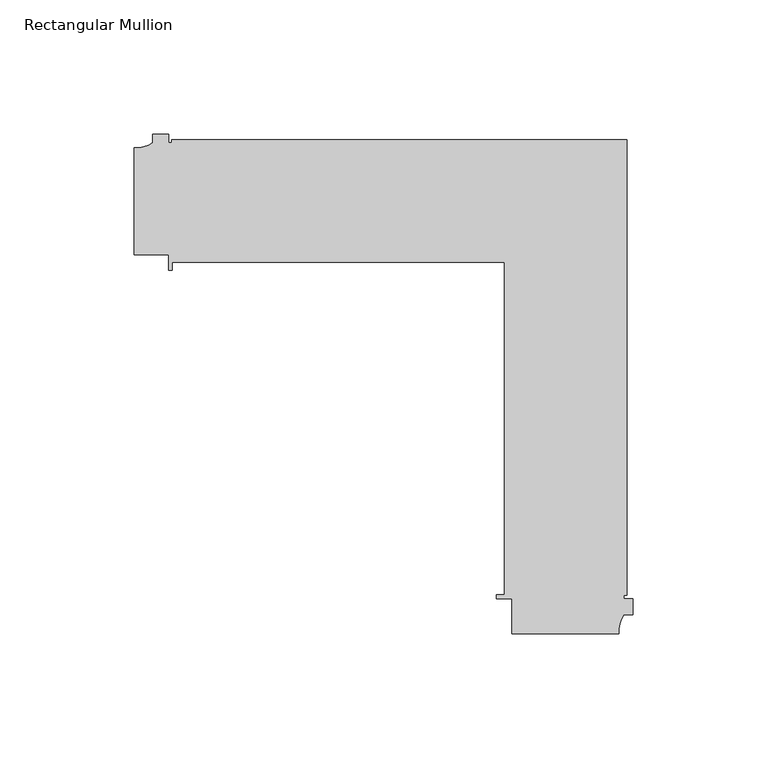
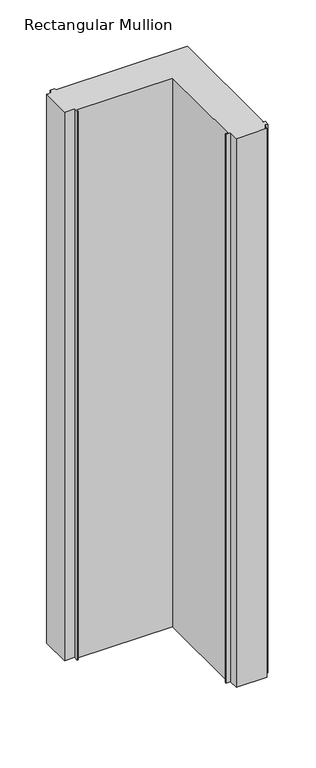
"""IFC4 building model written with IfcOpenShell, lengths in millimetres: member geometry, Rectangular Mullion."""

import ifcopenshell
import ifcopenshell.guid

model = None  # the IFC model being written
_history = None  # IfcOwnerHistory: only IFC2X3 demands one
_inside = {}  # id of a spatial element -> (the spatial element, [elements in it])
_under = {}  # id of a project, library or spatial element -> (it, [spatial elements below it])
_declared = {}  # id of a project -> (the project, [libraries it declares])
_typed = {}  # id of a type object -> (the type object, [elements of that type])
_made_of = {}  # id of a material, layer set ... -> (it, [elements and type objects made of it])


def new_model(schema):
    """Start an empty IFC model of exactly this schema.

    Asked for "IFC4X3", IfcOpenShell would pick the latest addendum, in which some entities
    have other attributes; the version numbers below select the first issue.
    IFC2X3 requires an IfcOwnerHistory on every rooted entity: one is made here for all.
    """
    global model, _history
    if schema == "IFC4X3":
        model = ifcopenshell.file(schema_version=(4, 3, 0, 0))
    else:
        model = ifcopenshell.file(schema=schema)
    _inside.clear()
    _under.clear()
    _declared.clear()
    _typed.clear()
    _made_of.clear()
    _history = None
    if model.schema == "IFC2X3":
        org = make("IfcOrganization", Name="unknown")
        user = make(
            "IfcPersonAndOrganization",
            ThePerson=make("IfcPerson", FamilyName="unknown"),
            TheOrganization=org,
        )
        app = make(
            "IfcApplication",
            ApplicationDeveloper=org,
            Version="unknown",
            ApplicationFullName="unknown",
            ApplicationIdentifier="unknown",
        )
        _history = make(
            "IfcOwnerHistory",
            OwningUser=user,
            OwningApplication=app,
            ChangeAction="ADDED",
            CreationDate=0,
        )
    return model


def make(cls, **values):
    """One entity of the class cls with the attributes given. An attribute that is None is left unset."""
    return model.create_entity(
        cls, **{name: value for name, value in values.items() if value is not None}
    )


def rooted(cls, **values):
    """An entity with a GlobalId (a new one), such as an element, a storey or a relation."""
    return make(cls, GlobalId=ifcopenshell.guid.new(), OwnerHistory=_history, **values)


def si_unit(unit_type, name, prefix=None):
    """IfcSIUnit, for example si_unit("LENGTHUNIT", "METRE", prefix="MILLI")."""
    return make("IfcSIUnit", UnitType=unit_type, Prefix=prefix, Name=name)


def assignment(units):
    """IfcUnitAssignment: the units of a project."""
    return None if units is None else make("IfcUnitAssignment", Units=units)


def point(xyz):
    """IfcCartesianPoint."""
    return None if xyz is None else make("IfcCartesianPoint", Coordinates=xyz)


def direction(xyz):
    """IfcDirection."""
    return None if xyz is None else make("IfcDirection", DirectionRatios=xyz)


def frame(location, z_axis=None, x_axis=None):
    """IfcAxis2Placement3D, a coordinate frame: its origin and axes. An axis left out is left unset."""
    return make(
        "IfcAxis2Placement3D",
        Location=point(location),
        Axis=direction(z_axis),
        RefDirection=direction(x_axis),
    )


def frame_2d(location, x_axis=None):
    """IfcAxis2Placement2D, a coordinate frame in the plane: its origin and x axis."""
    return make(
        "IfcAxis2Placement2D", Location=point(location), RefDirection=direction(x_axis)
    )


def origin():
    """The frame at (0, 0, 0) with its axes left unset."""
    return frame((0.0, 0.0, 0.0))


def place(relative_to, where):
    """IfcLocalPlacement: puts the frame where relative to a parent placement (None: the world)."""
    return make(
        "IfcLocalPlacement", PlacementRelTo=relative_to, RelativePlacement=where
    )


def context(
    kind, dimensions, precision=None, world=None, true_north=None, identifier=None
):
    """IfcGeometricRepresentationContext, for example the 3D "Model" context."""
    return make(
        "IfcGeometricRepresentationContext",
        ContextIdentifier=identifier,
        ContextType=kind,
        CoordinateSpaceDimension=dimensions,
        Precision=precision,
        WorldCoordinateSystem=world,
        TrueNorth=true_north,
    )


def project(units=None, contexts=None):
    """IfcProject with its units and contexts."""
    return rooted(
        "IfcProject",
        Name="project",
        RepresentationContexts=contexts,
        UnitsInContext=assignment(units),
    )


def spatial(cls, under=None, at=None, **own):
    """A site, building, storey or space (cls), placed at a placement, below another one or the project."""
    s = rooted(cls, ObjectPlacement=at, **own)
    if under is not None:
        _under.setdefault(under.id(), (under, []))[1].append(s)
    return s


def polyline(points):
    """IfcPolyline through the points."""
    return make("IfcPolyline", Points=[point(p) for p in points])


def circle_curve(where, radius):
    """IfcCircle in the frame where."""
    return make("IfcCircle", Position=where, Radius=radius)


def trimmed(basis, trim1, trim2, sense, master):
    """IfcTrimmedCurve: the piece of a basis curve between two trims."""
    return make(
        "IfcTrimmedCurve",
        BasisCurve=basis,
        Trim1=trim1,
        Trim2=trim2,
        SenseAgreement=sense,
        MasterRepresentation=master,
    )


def segment(curve, same_sense, transition):
    """IfcCompositeCurveSegment."""
    return make(
        "IfcCompositeCurveSegment",
        Transition=transition,
        SameSense=same_sense,
        ParentCurve=curve,
    )


def composite_curve(segments, self_intersect=None):
    """IfcCompositeCurve: segments joined end to end."""
    return make("IfcCompositeCurve", Segments=segments, SelfIntersect=self_intersect)


def outline(outer, holes=None, kind="AREA"):
    """IfcArbitraryClosedProfileDef: a profile drawn as a closed curve; with holes, ...WithVoids."""
    if holes is None:
        return make("IfcArbitraryClosedProfileDef", ProfileType=kind, OuterCurve=outer)
    return make(
        "IfcArbitraryProfileDefWithVoids",
        ProfileType=kind,
        OuterCurve=outer,
        InnerCurves=holes,
    )


def extrude(swept, where, along, depth):
    """IfcExtrudedAreaSolid: the profile swept, set in the frame where, extruded along a direction by depth."""
    return make(
        "IfcExtrudedAreaSolid",
        SweptArea=swept,
        Position=where,
        ExtrudedDirection=direction(along),
        Depth=depth,
    )


def shape(context_of_items, identifier, shape_type, items):
    """IfcShapeRepresentation: the items that make up one representation, for example the "Body"."""
    return make(
        "IfcShapeRepresentation",
        ContextOfItems=context_of_items,
        RepresentationIdentifier=identifier,
        RepresentationType=shape_type,
        Items=items,
    )


def source(mapping_origin, context_of_items, identifier, shape_type, items):
    """IfcRepresentationMap: a shape defined once, which mapped items show again and again."""
    return make(
        "IfcRepresentationMap",
        MappingOrigin=mapping_origin,
        MappedRepresentation=shape(context_of_items, identifier, shape_type, items),
    )


def transform(
    local_origin,
    x_axis=None,
    y_axis=None,
    z_axis=None,
    scale=None,
    scale2=None,
    scale3=None,
    uniform=True,
):
    """IfcCartesianTransformationOperator3D, or its non-uniform kind. x_axis, y_axis, z_axis: its Axis1, 2, 3."""
    if uniform:
        return make(
            "IfcCartesianTransformationOperator3D",
            Axis1=direction(x_axis),
            Axis2=direction(y_axis),
            LocalOrigin=point(local_origin),
            Scale=scale,
            Axis3=direction(z_axis),
        )
    return make(
        "IfcCartesianTransformationOperator3DnonUniform",
        Axis1=direction(x_axis),
        Axis2=direction(y_axis),
        LocalOrigin=point(local_origin),
        Scale=scale,
        Axis3=direction(z_axis),
        Scale2=scale2,
        Scale3=scale3,
    )


def mapped(mapping_source, mapping_target):
    """IfcMappedItem: shows the shape of a source again, moved by a transform."""
    return make(
        "IfcMappedItem", MappingSource=mapping_source, MappingTarget=mapping_target
    )


def made_of(thing, what):
    """Note that an element or type object is made of a material, layer set ...; save() writes the relation."""
    if what is not None:
        _made_of.setdefault(what.id(), (what, []))[1].append(thing)
    return thing


def element(
    cls,
    number,
    at=None,
    inside=None,
    cuts=None,
    type_object=None,
    material=None,
    context=None,
    identifier="Body",
    shape_type=None,
    held_by="IfcProductDefinitionShape",
    body=None,
    shapes=None,
    **own,
):
    """One element of the class cls, such as IfcWall. Its Tag is "e" and its number.

    at: its placement. inside: the storey or other place that contains it. cuts: it is an
    opening in that element (IfcRelVoidsElement). A single representation is given by context,
    identifier, shape_type and body (its items); several are given by shapes. held_by: the class
    of the entity that holds the representations. save() writes the other relations.
    """
    e = rooted(cls, Tag="e%d" % number, ObjectPlacement=at, **own)
    if body is not None:
        shapes = [shape(context, identifier, shape_type, body)]
    if shapes is not None:
        e.Representation = make(held_by, Representations=shapes)
    if inside is not None:
        _inside.setdefault(inside.id(), (inside, []))[1].append(e)
    if cuts is not None:
        rooted(
            "IfcRelVoidsElement", RelatingBuildingElement=cuts, RelatedOpeningElement=e
        )
    if type_object is not None:
        _typed.setdefault(type_object.id(), (type_object, []))[1].append(e)
    return made_of(e, material)


def aggregate(whole, parts):
    """IfcRelAggregates: a whole, such as a stair, and the parts it consists of."""
    return rooted("IfcRelAggregates", RelatingObject=whole, RelatedObjects=parts)


def save(model, path):
    """Write the relations noted so far, then the file.

    IfcRelAggregates (storeys below a building ...), IfcRelContainedInSpatialStructure (elements
    in a storey), IfcRelDefinesByType, IfcRelAssociatesMaterial and IfcRelDeclares: one each for
    every whole, place, type object, material and project.
    """
    for whole, parts in _under.values():
        aggregate(whole, parts)
    for where, things in _inside.values():
        rooted(
            "IfcRelContainedInSpatialStructure",
            RelatedElements=things,
            RelatingStructure=where,
        )
    for kind, things in _typed.values():
        rooted("IfcRelDefinesByType", RelatedObjects=things, RelatingType=kind)
    for what, things in _made_of.values():
        rooted("IfcRelAssociatesMaterial", RelatedObjects=things, RelatingMaterial=what)
    for by, libraries in _declared.values():
        rooted("IfcRelDeclares", RelatingContext=by, RelatedDefinitions=libraries)
    model.write(path)


def rectangular_mullion_f629fb0b(model_context):
    return source(origin(), model_context, "Body", "SweptSolid", [
        extrude(outline(composite_curve([segment(trimmed(circle_curve(frame_2d((-185.1098471, 25.7981787)), 10.4563907), [point((-185.9999843, 15.379745))], [point((-179.0000452, 17.3125187))], True, "CARTESIAN"), True, "CONTINUOUS"), segment(polyline([(-179.0000452, 17.3125187), (-179.0000452, 20.4999975), (-173.0000452, 20.4999975), (-173.0000452, 17.2147834), (-171.9852227, 17.2147834), (-171.9852227, 18.4147834), (-2.0852141, 18.4147834), (-2.0852141, -151.4852252), (-3.2852141, -151.4852252), (-3.2852141, -152.7000145), (0.0, -152.7000145), (0.0, -158.7000145), (-3.1874788, -158.7000145)]), True, "CONTINUOUS"), segment(trimmed(circle_curve(frame_2d((5.2981812, -164.8098164)), 10.4563907), [point((-3.1874788, -158.7000145))], [point((-5.1202525, -165.6999536))], True, "CARTESIAN"), True, "CONTINUOUS"), segment(polyline([(-5.1202525, -165.6999536), (-45.0, -165.6999536), (-45.0, -152.7000145), (-50.8, -152.7000145), (-50.8, -151.3000025), (-47.8, -151.3000025), (-47.8, -27.3000025), (-171.8, -27.3000025), (-171.8, -30.3000025), (-173.0000452, -30.3000025), (-173.0000452, -24.5000025), (-185.9999843, -24.5000025), (-185.9999843, 15.379745)]), True, "CONTINUOUS")], self_intersect=False)), frame((0.0, 0.0, -750.6149322), z_axis=(0.0, 0.0, 1.0), x_axis=(1.0, 0.0, 0.0)), (0.0, 0.0, 1.0), 750.6149322),
    ])


if __name__ == "__main__":
    model = new_model("IFC4")
    model_context = context("Model", 3, world=origin())
    ifc_project = project(units=[si_unit("LENGTHUNIT", "METRE", prefix="MILLI")], contexts=[model_context])
    site = spatial("IfcSite", under=ifc_project)
    building = spatial("IfcBuilding", under=site)
    placement = place(None, origin())
    rectangular_mullion_shape = rectangular_mullion_f629fb0b(model_context)
    element("IfcMember", 1, ObjectType="Rectangular Mullion", at=placement, inside=building, context=model_context, shape_type="MappedRepresentation", body=[
        mapped(rectangular_mullion_shape, transform((0.0, 0.0, 0.0), x_axis=(1.0, 0.0, 0.0), y_axis=(0.0, 1.0, 0.0), z_axis=(0.0, 0.0, 1.0))),
    ])
    save(model, "model.ifc")
